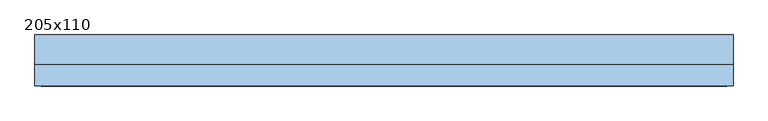
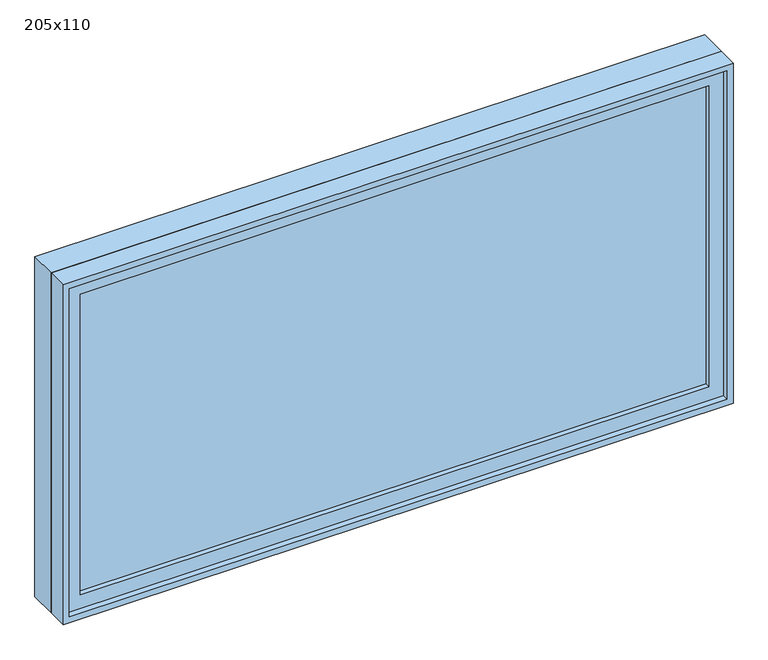
"""IFC4 building model written with IfcOpenShell, lengths in millimetres: window geometry, 205x110."""

from ifc_helpers import new_model, si_unit, frame, origin, place, context, project, spatial, polyline, outline, extrude, source, transform, mapped, element, save


def window_205x110_0d2ae515(model_context):
    return source(origin(), model_context, "Body", "SweptSolid", [
        extrude(outline(polyline([(923.4, -27.375), (923.4, -40.075), (-999.6, -40.075), (-999.6, -27.375), (923.4, -27.375)])), frame((0.0, 0.0, 977.9), z_axis=(0.0, 0.0, 1.0), x_axis=(1.0, 0.0, 0.0)), (0.0, 0.0, 1.0), 973.0),
        extrude(outline(polyline([(1995.35, -1044.05), (933.45, -1044.05), (933.45, 967.85), (1995.35, 967.85), (1995.35, -1044.05)]), holes=[polyline([(1950.9, -999.6), (1950.9, 923.4), (977.9, 923.4), (977.9, -999.6), (1950.9, -999.6)])]), frame((0.0, -55.95, 0.0), z_axis=(0.0, 1.0, 0.0), x_axis=(0.0, 0.0, 1.0)), (0.0, 0.0, 1.0), 44.45),
        extrude(outline(polyline([(2014.4, -1063.1), (914.4, -1063.1), (914.4, 986.9), (2014.4, 986.9), (2014.4, -1063.1)]), holes=[polyline([(1982.65, -1031.35), (1982.65, 955.15), (946.15, 955.15), (946.15, -1031.35), (1982.65, -1031.35)])]), frame((0.0, -11.5, 0.0), z_axis=(0.0, 1.0, 0.0), x_axis=(0.0, 0.0, 1.0)), (0.0, 0.0, 1.0), 86.5),
        extrude(outline(polyline([(2014.4, 986.9), (2014.4, -1063.1), (914.4, -1063.1), (914.4, 986.9), (2014.4, 986.9)]), holes=[polyline([(1995.35, 967.85), (933.45, 967.85), (933.45, -1044.05), (1995.35, -1044.05), (1995.35, 967.85)])]), frame((0.0, -75.0, 0.0), z_axis=(0.0, 1.0, 0.0), x_axis=(0.0, 0.0, 1.0)), (0.0, 0.0, 1.0), 63.5),
    ])


if __name__ == "__main__":
    model = new_model("IFC4")
    model_context = context("Model", 3, world=origin())
    ifc_project = project(units=[si_unit("LENGTHUNIT", "METRE", prefix="MILLI")], contexts=[model_context])
    site = spatial("IfcSite", under=ifc_project)
    building = spatial("IfcBuilding", under=site)
    placement = place(None, origin())
    window_205x110_shape = window_205x110_0d2ae515(model_context)
    element("IfcWindow", 1, ObjectType="205x110", at=placement, inside=building, context=model_context, shape_type="MappedRepresentation", body=[
        mapped(window_205x110_shape, transform((0.0, 0.0, 0.0), x_axis=(1.0, 0.0, 0.0), y_axis=(0.0, 1.0, 0.0), z_axis=(0.0, 0.0, 1.0))),
    ])
    save(model, "model.ifc")
